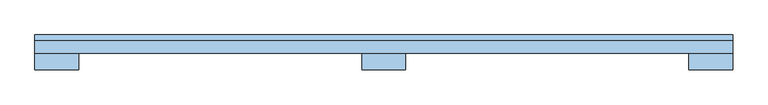
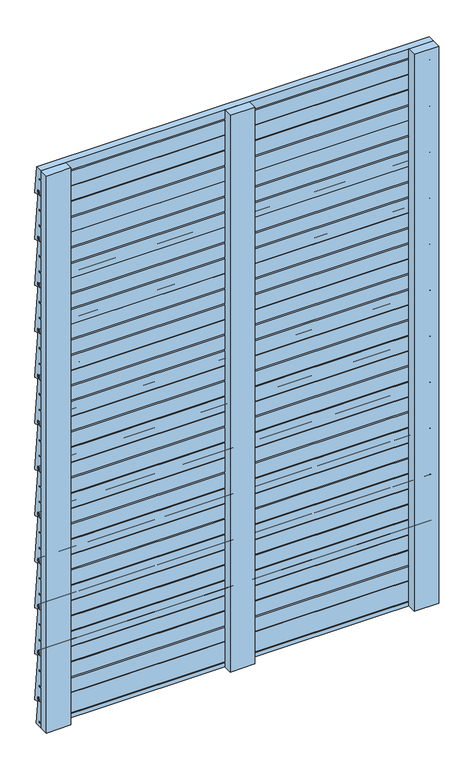
"""IFC4 building model written with IfcOpenShell, lengths in millimetres: window geometry."""

import ifcopenshell
import ifcopenshell.guid

model = None  # the IFC model being written
_history = None  # IfcOwnerHistory: only IFC2X3 demands one
_inside = {}  # id of a spatial element -> (the spatial element, [elements in it])
_under = {}  # id of a project, library or spatial element -> (it, [spatial elements below it])
_declared = {}  # id of a project -> (the project, [libraries it declares])
_typed = {}  # id of a type object -> (the type object, [elements of that type])
_made_of = {}  # id of a material, layer set ... -> (it, [elements and type objects made of it])


def new_model(schema):
    """Start an empty IFC model of exactly this schema.

    Asked for "IFC4X3", IfcOpenShell would pick the latest addendum, in which some entities
    have other attributes; the version numbers below select the first issue.
    IFC2X3 requires an IfcOwnerHistory on every rooted entity: one is made here for all.
    """
    global model, _history
    if schema == "IFC4X3":
        model = ifcopenshell.file(schema_version=(4, 3, 0, 0))
    else:
        model = ifcopenshell.file(schema=schema)
    _inside.clear()
    _under.clear()
    _declared.clear()
    _typed.clear()
    _made_of.clear()
    _history = None
    if model.schema == "IFC2X3":
        org = make("IfcOrganization", Name="unknown")
        user = make(
            "IfcPersonAndOrganization",
            ThePerson=make("IfcPerson", FamilyName="unknown"),
            TheOrganization=org,
        )
        app = make(
            "IfcApplication",
            ApplicationDeveloper=org,
            Version="unknown",
            ApplicationFullName="unknown",
            ApplicationIdentifier="unknown",
        )
        _history = make(
            "IfcOwnerHistory",
            OwningUser=user,
            OwningApplication=app,
            ChangeAction="ADDED",
            CreationDate=0,
        )
    return model


def make(cls, **values):
    """One entity of the class cls with the attributes given. An attribute that is None is left unset."""
    return model.create_entity(
        cls, **{name: value for name, value in values.items() if value is not None}
    )


def rooted(cls, **values):
    """An entity with a GlobalId (a new one), such as an element, a storey or a relation."""
    return make(cls, GlobalId=ifcopenshell.guid.new(), OwnerHistory=_history, **values)


def si_unit(unit_type, name, prefix=None):
    """IfcSIUnit, for example si_unit("LENGTHUNIT", "METRE", prefix="MILLI")."""
    return make("IfcSIUnit", UnitType=unit_type, Prefix=prefix, Name=name)


def assignment(units):
    """IfcUnitAssignment: the units of a project."""
    return None if units is None else make("IfcUnitAssignment", Units=units)


def point(xyz):
    """IfcCartesianPoint."""
    return None if xyz is None else make("IfcCartesianPoint", Coordinates=xyz)


def direction(xyz):
    """IfcDirection."""
    return None if xyz is None else make("IfcDirection", DirectionRatios=xyz)


def frame(location, z_axis=None, x_axis=None):
    """IfcAxis2Placement3D, a coordinate frame: its origin and axes. An axis left out is left unset."""
    return make(
        "IfcAxis2Placement3D",
        Location=point(location),
        Axis=direction(z_axis),
        RefDirection=direction(x_axis),
    )


def frame_2d(location, x_axis=None):
    """IfcAxis2Placement2D, a coordinate frame in the plane: its origin and x axis."""
    return make(
        "IfcAxis2Placement2D", Location=point(location), RefDirection=direction(x_axis)
    )


def origin():
    """The frame at (0, 0, 0) with its axes left unset."""
    return frame((0.0, 0.0, 0.0))


def place(relative_to, where):
    """IfcLocalPlacement: puts the frame where relative to a parent placement (None: the world)."""
    return make(
        "IfcLocalPlacement", PlacementRelTo=relative_to, RelativePlacement=where
    )


def context(
    kind, dimensions, precision=None, world=None, true_north=None, identifier=None
):
    """IfcGeometricRepresentationContext, for example the 3D "Model" context."""
    return make(
        "IfcGeometricRepresentationContext",
        ContextIdentifier=identifier,
        ContextType=kind,
        CoordinateSpaceDimension=dimensions,
        Precision=precision,
        WorldCoordinateSystem=world,
        TrueNorth=true_north,
    )


def project(units=None, contexts=None):
    """IfcProject with its units and contexts."""
    return rooted(
        "IfcProject",
        Name="project",
        RepresentationContexts=contexts,
        UnitsInContext=assignment(units),
    )


def spatial(cls, under=None, at=None, **own):
    """A site, building, storey or space (cls), placed at a placement, below another one or the project."""
    s = rooted(cls, ObjectPlacement=at, **own)
    if under is not None:
        _under.setdefault(under.id(), (under, []))[1].append(s)
    return s


def polyline(points):
    """IfcPolyline through the points."""
    return make("IfcPolyline", Points=[point(p) for p in points])


def circle_curve(where, radius):
    """IfcCircle in the frame where."""
    return make("IfcCircle", Position=where, Radius=radius)


def trimmed(basis, trim1, trim2, sense, master):
    """IfcTrimmedCurve: the piece of a basis curve between two trims."""
    return make(
        "IfcTrimmedCurve",
        BasisCurve=basis,
        Trim1=trim1,
        Trim2=trim2,
        SenseAgreement=sense,
        MasterRepresentation=master,
    )


def segment(curve, same_sense, transition):
    """IfcCompositeCurveSegment."""
    return make(
        "IfcCompositeCurveSegment",
        Transition=transition,
        SameSense=same_sense,
        ParentCurve=curve,
    )


def composite_curve(segments, self_intersect=None):
    """IfcCompositeCurve: segments joined end to end."""
    return make("IfcCompositeCurve", Segments=segments, SelfIntersect=self_intersect)


def outline(outer, holes=None, kind="AREA"):
    """IfcArbitraryClosedProfileDef: a profile drawn as a closed curve; with holes, ...WithVoids."""
    if holes is None:
        return make("IfcArbitraryClosedProfileDef", ProfileType=kind, OuterCurve=outer)
    return make(
        "IfcArbitraryProfileDefWithVoids",
        ProfileType=kind,
        OuterCurve=outer,
        InnerCurves=holes,
    )


def extrude(swept, where, along, depth):
    """IfcExtrudedAreaSolid: the profile swept, set in the frame where, extruded along a direction by depth."""
    return make(
        "IfcExtrudedAreaSolid",
        SweptArea=swept,
        Position=where,
        ExtrudedDirection=direction(along),
        Depth=depth,
    )


def shape(context_of_items, identifier, shape_type, items):
    """IfcShapeRepresentation: the items that make up one representation, for example the "Body"."""
    return make(
        "IfcShapeRepresentation",
        ContextOfItems=context_of_items,
        RepresentationIdentifier=identifier,
        RepresentationType=shape_type,
        Items=items,
    )


def source(mapping_origin, context_of_items, identifier, shape_type, items):
    """IfcRepresentationMap: a shape defined once, which mapped items show again and again."""
    return make(
        "IfcRepresentationMap",
        MappingOrigin=mapping_origin,
        MappedRepresentation=shape(context_of_items, identifier, shape_type, items),
    )


def transform(
    local_origin,
    x_axis=None,
    y_axis=None,
    z_axis=None,
    scale=None,
    scale2=None,
    scale3=None,
    uniform=True,
):
    """IfcCartesianTransformationOperator3D, or its non-uniform kind. x_axis, y_axis, z_axis: its Axis1, 2, 3."""
    if uniform:
        return make(
            "IfcCartesianTransformationOperator3D",
            Axis1=direction(x_axis),
            Axis2=direction(y_axis),
            LocalOrigin=point(local_origin),
            Scale=scale,
            Axis3=direction(z_axis),
        )
    return make(
        "IfcCartesianTransformationOperator3DnonUniform",
        Axis1=direction(x_axis),
        Axis2=direction(y_axis),
        LocalOrigin=point(local_origin),
        Scale=scale,
        Axis3=direction(z_axis),
        Scale2=scale2,
        Scale3=scale3,
    )


def mapped(mapping_source, mapping_target):
    """IfcMappedItem: shows the shape of a source again, moved by a transform."""
    return make(
        "IfcMappedItem", MappingSource=mapping_source, MappingTarget=mapping_target
    )


def made_of(thing, what):
    """Note that an element or type object is made of a material, layer set ...; save() writes the relation."""
    if what is not None:
        _made_of.setdefault(what.id(), (what, []))[1].append(thing)
    return thing


def element(
    cls,
    number,
    at=None,
    inside=None,
    cuts=None,
    type_object=None,
    material=None,
    context=None,
    identifier="Body",
    shape_type=None,
    held_by="IfcProductDefinitionShape",
    body=None,
    shapes=None,
    **own,
):
    """One element of the class cls, such as IfcWall. Its Tag is "e" and its number.

    at: its placement. inside: the storey or other place that contains it. cuts: it is an
    opening in that element (IfcRelVoidsElement). A single representation is given by context,
    identifier, shape_type and body (its items); several are given by shapes. held_by: the class
    of the entity that holds the representations. save() writes the other relations.
    """
    e = rooted(cls, Tag="e%d" % number, ObjectPlacement=at, **own)
    if body is not None:
        shapes = [shape(context, identifier, shape_type, body)]
    if shapes is not None:
        e.Representation = make(held_by, Representations=shapes)
    if inside is not None:
        _inside.setdefault(inside.id(), (inside, []))[1].append(e)
    if cuts is not None:
        rooted(
            "IfcRelVoidsElement", RelatingBuildingElement=cuts, RelatedOpeningElement=e
        )
    if type_object is not None:
        _typed.setdefault(type_object.id(), (type_object, []))[1].append(e)
    return made_of(e, material)


def aggregate(whole, parts):
    """IfcRelAggregates: a whole, such as a stair, and the parts it consists of."""
    return rooted("IfcRelAggregates", RelatingObject=whole, RelatedObjects=parts)


def save(model, path):
    """Write the relations noted so far, then the file.

    IfcRelAggregates (storeys below a building ...), IfcRelContainedInSpatialStructure (elements
    in a storey), IfcRelDefinesByType, IfcRelAssociatesMaterial and IfcRelDeclares: one each for
    every whole, place, type object, material and project.
    """
    for whole, parts in _under.values():
        aggregate(whole, parts)
    for where, things in _inside.values():
        rooted(
            "IfcRelContainedInSpatialStructure",
            RelatedElements=things,
            RelatingStructure=where,
        )
    for kind, things in _typed.values():
        rooted("IfcRelDefinesByType", RelatedObjects=things, RelatingType=kind)
    for what, things in _made_of.values():
        rooted("IfcRelAssociatesMaterial", RelatedObjects=things, RelatingMaterial=what)
    for by, libraries in _declared.values():
        rooted("IfcRelDeclares", RelatingContext=by, RelatedDefinitions=libraries)
    model.write(path)


def window_85275ae8(model_context):
    return source(origin(), model_context, "Body", "SweptSolid", [
        extrude(outline(composite_curve([segment(polyline([(49.0486008, 160.0248213), (38.2650704, 162.8526855)]), True, "CONTINUOUS"), segment(trimmed(circle_curve(frame_2d((38.5592328, 163.8456874)), 1.0356565), [point((38.2650704, 162.8526855))], [point((37.5275173, 163.755424))], False, "CARTESIAN"), True, "CONTINUOUS"), segment(polyline([(37.5275173, 163.755424), (36.5, 175.5)]), True, "CONTINUOUS"), segment(trimmed(circle_curve(frame_2d((35.0, 175.5)), 1.5), [point((36.5, 175.5))], [point((35.0, 177.0))], True, "CARTESIAN"), True, "CONTINUOUS"), segment(polyline([(35.0, 177.0), (31.5, 177.0)]), True, "CONTINUOUS"), segment(trimmed(circle_curve(frame_2d((31.5, 175.5)), 1.5), [point((31.5, 177.0))], [point((30.0, 175.5))], True, "CARTESIAN"), True, "CONTINUOUS"), segment(polyline([(30.0, 175.5), (30.0, 169.0)]), True, "CONTINUOUS"), segment(trimmed(circle_curve(frame_2d((29.0, 169.0)), 1.0), [point((30.0, 169.0))], [point((29.0, 168.0))], False, "CARTESIAN"), True, "CONTINUOUS"), segment(polyline([(29.0, 168.0), (24.0, 168.0), (24.0, 206.8689113), (30.0, 206.8689113), (30.0, 210.3689113), (24.0, 210.3689113), (24.0, 248.9745882), (30.0, 248.9745882), (30.0, 252.4745882), (24.0, 252.4745882), (24.0, 291.0), (30.0, 291.0), (30.0, 297.5)]), True, "CONTINUOUS"), segment(trimmed(circle_curve(frame_2d((31.5, 297.5)), 1.5), [point((30.0, 297.5))], [point((31.5, 299.0))], False, "CARTESIAN"), True, "CONTINUOUS"), segment(polyline([(31.5, 299.0), (34.5312583, 299.0)]), True, "CONTINUOUS"), segment(trimmed(circle_curve(frame_2d((34.5312583, 297.5)), 1.5), [point((34.5312583, 299.0))], [point((36.0239451, 297.6479395))], False, "CARTESIAN"), True, "CONTINUOUS"), segment(polyline([(36.0239451, 297.6479395), (49.9960731, 160.8359984)]), True, "CONTINUOUS"), segment(trimmed(circle_curve(frame_2d((49.241104, 160.758896)), 0.758896), [point((49.9960731, 160.8359984))], [point((49.0486008, 160.0248213))], False, "CARTESIAN"), True, "CONTINUOUS")], self_intersect=False)), frame((-500.0, 0.0, 0.0), z_axis=(1.0, 0.0, 0.0), x_axis=(0.0, 1.0, 0.0)), (0.0, 0.0, 1.0), 1000.0),
        extrude(outline(composite_curve([segment(polyline([(49.0486008, 284.0248213), (38.2650704, 286.8526855)]), True, "CONTINUOUS"), segment(trimmed(circle_curve(frame_2d((38.5592328, 287.8456874)), 1.0356565), [point((38.2650704, 286.8526855))], [point((37.5275173, 287.755424))], False, "CARTESIAN"), True, "CONTINUOUS"), segment(polyline([(37.5275173, 287.755424), (36.5, 299.5)]), True, "CONTINUOUS"), segment(trimmed(circle_curve(frame_2d((35.0, 299.5)), 1.5), [point((36.5, 299.5))], [point((35.0, 301.0))], True, "CARTESIAN"), True, "CONTINUOUS"), segment(polyline([(35.0, 301.0), (31.5, 301.0)]), True, "CONTINUOUS"), segment(trimmed(circle_curve(frame_2d((31.5, 299.5)), 1.5), [point((31.5, 301.0))], [point((30.0, 299.5))], True, "CARTESIAN"), True, "CONTINUOUS"), segment(polyline([(30.0, 299.5), (30.0, 293.0)]), True, "CONTINUOUS"), segment(trimmed(circle_curve(frame_2d((29.0, 293.0)), 1.0), [point((30.0, 293.0))], [point((29.0, 292.0))], False, "CARTESIAN"), True, "CONTINUOUS"), segment(polyline([(29.0, 292.0), (24.0, 292.0), (24.0, 330.8689113), (30.0, 330.8689113), (30.0, 334.3689113), (24.0, 334.3689113), (24.0, 372.9745882), (30.0, 372.9745882), (30.0, 376.4745882), (24.0, 376.4745882), (24.0, 415.0), (30.0, 415.0), (30.0, 421.5)]), True, "CONTINUOUS"), segment(trimmed(circle_curve(frame_2d((31.5, 421.5)), 1.5), [point((30.0, 421.5))], [point((31.5, 423.0))], False, "CARTESIAN"), True, "CONTINUOUS"), segment(polyline([(31.5, 423.0), (34.5312583, 423.0)]), True, "CONTINUOUS"), segment(trimmed(circle_curve(frame_2d((34.5312583, 421.5)), 1.5), [point((34.5312583, 423.0))], [point((36.0239451, 421.6479395))], False, "CARTESIAN"), True, "CONTINUOUS"), segment(polyline([(36.0239451, 421.6479395), (49.9960731, 284.8359984)]), True, "CONTINUOUS"), segment(trimmed(circle_curve(frame_2d((49.241104, 284.758896)), 0.758896), [point((49.9960731, 284.8359984))], [point((49.0486008, 284.0248213))], False, "CARTESIAN"), True, "CONTINUOUS")], self_intersect=False)), frame((-500.0, 0.0, 0.0), z_axis=(1.0, 0.0, 0.0), x_axis=(0.0, 1.0, 0.0)), (0.0, 0.0, 1.0), 1000.0),
        extrude(outline(composite_curve([segment(polyline([(49.0486008, 408.0248213), (38.2650704, 410.8526855)]), True, "CONTINUOUS"), segment(trimmed(circle_curve(frame_2d((38.5592328, 411.8456874)), 1.0356565), [point((38.2650704, 410.8526855))], [point((37.5275173, 411.755424))], False, "CARTESIAN"), True, "CONTINUOUS"), segment(polyline([(37.5275173, 411.755424), (36.5, 423.5)]), True, "CONTINUOUS"), segment(trimmed(circle_curve(frame_2d((35.0, 423.5)), 1.5), [point((36.5, 423.5))], [point((35.0, 425.0))], True, "CARTESIAN"), True, "CONTINUOUS"), segment(polyline([(35.0, 425.0), (31.5, 425.0)]), True, "CONTINUOUS"), segment(trimmed(circle_curve(frame_2d((31.5, 423.5)), 1.5), [point((31.5, 425.0))], [point((30.0, 423.5))], True, "CARTESIAN"), True, "CONTINUOUS"), segment(polyline([(30.0, 423.5), (30.0, 417.0)]), True, "CONTINUOUS"), segment(trimmed(circle_curve(frame_2d((29.0, 417.0)), 1.0), [point((30.0, 417.0))], [point((29.0, 416.0))], False, "CARTESIAN"), True, "CONTINUOUS"), segment(polyline([(29.0, 416.0), (24.0, 416.0), (24.0, 454.8689113), (30.0, 454.8689113), (30.0, 458.3689113), (24.0, 458.3689113), (24.0, 496.9745882), (30.0, 496.9745882), (30.0, 500.4745882), (24.0, 500.4745882), (24.0, 539.0), (30.0, 539.0), (30.0, 545.5)]), True, "CONTINUOUS"), segment(trimmed(circle_curve(frame_2d((31.5, 545.5)), 1.5), [point((30.0, 545.5))], [point((31.5, 547.0))], False, "CARTESIAN"), True, "CONTINUOUS"), segment(polyline([(31.5, 547.0), (34.5312583, 547.0)]), True, "CONTINUOUS"), segment(trimmed(circle_curve(frame_2d((34.5312583, 545.5)), 1.5), [point((34.5312583, 547.0))], [point((36.0239451, 545.6479395))], False, "CARTESIAN"), True, "CONTINUOUS"), segment(polyline([(36.0239451, 545.6479395), (49.9960731, 408.8359984)]), True, "CONTINUOUS"), segment(trimmed(circle_curve(frame_2d((49.241104, 408.758896)), 0.758896), [point((49.9960731, 408.8359984))], [point((49.0486008, 408.0248213))], False, "CARTESIAN"), True, "CONTINUOUS")], self_intersect=False)), frame((-500.0, 0.0, 0.0), z_axis=(1.0, 0.0, 0.0), x_axis=(0.0, 1.0, 0.0)), (0.0, 0.0, 1.0), 1000.0),
        extrude(outline(composite_curve([segment(polyline([(49.0486008, 532.0248213), (38.2650704, 534.8526855)]), True, "CONTINUOUS"), segment(trimmed(circle_curve(frame_2d((38.5592328, 535.8456874)), 1.0356565), [point((38.2650704, 534.8526855))], [point((37.5275173, 535.755424))], False, "CARTESIAN"), True, "CONTINUOUS"), segment(polyline([(37.5275173, 535.755424), (36.5, 547.5)]), True, "CONTINUOUS"), segment(trimmed(circle_curve(frame_2d((35.0, 547.5)), 1.5), [point((36.5, 547.5))], [point((35.0, 549.0))], True, "CARTESIAN"), True, "CONTINUOUS"), segment(polyline([(35.0, 549.0), (31.5, 549.0)]), True, "CONTINUOUS"), segment(trimmed(circle_curve(frame_2d((31.5, 547.5)), 1.5), [point((31.5, 549.0))], [point((30.0, 547.5))], True, "CARTESIAN"), True, "CONTINUOUS"), segment(polyline([(30.0, 547.5), (30.0, 541.0)]), True, "CONTINUOUS"), segment(trimmed(circle_curve(frame_2d((29.0, 541.0)), 1.0), [point((30.0, 541.0))], [point((29.0, 540.0))], False, "CARTESIAN"), True, "CONTINUOUS"), segment(polyline([(29.0, 540.0), (24.0, 540.0), (24.0, 578.8689113), (30.0, 578.8689113), (30.0, 582.3689113), (24.0, 582.3689113), (24.0, 620.9745882), (30.0, 620.9745882), (30.0, 624.4745882), (24.0, 624.4745882), (24.0, 663.0), (30.0, 663.0), (30.0, 669.5)]), True, "CONTINUOUS"), segment(trimmed(circle_curve(frame_2d((31.5, 669.5)), 1.5), [point((30.0, 669.5))], [point((31.5, 671.0))], False, "CARTESIAN"), True, "CONTINUOUS"), segment(polyline([(31.5, 671.0), (34.5312583, 671.0)]), True, "CONTINUOUS"), segment(trimmed(circle_curve(frame_2d((34.5312583, 669.5)), 1.5), [point((34.5312583, 671.0))], [point((36.0239451, 669.6479395))], False, "CARTESIAN"), True, "CONTINUOUS"), segment(polyline([(36.0239451, 669.6479395), (49.9960731, 532.8359984)]), True, "CONTINUOUS"), segment(trimmed(circle_curve(frame_2d((49.241104, 532.758896)), 0.758896), [point((49.9960731, 532.8359984))], [point((49.0486008, 532.0248213))], False, "CARTESIAN"), True, "CONTINUOUS")], self_intersect=False)), frame((-500.0, 0.0, 0.0), z_axis=(1.0, 0.0, 0.0), x_axis=(0.0, 1.0, 0.0)), (0.0, 0.0, 1.0), 1000.0),
        extrude(outline(composite_curve([segment(polyline([(49.0486008, 656.0248213), (38.2650704, 658.8526855)]), True, "CONTINUOUS"), segment(trimmed(circle_curve(frame_2d((38.5592328, 659.8456874)), 1.0356565), [point((38.2650704, 658.8526855))], [point((37.5275173, 659.755424))], False, "CARTESIAN"), True, "CONTINUOUS"), segment(polyline([(37.5275173, 659.755424), (36.5, 671.5)]), True, "CONTINUOUS"), segment(trimmed(circle_curve(frame_2d((35.0, 671.5)), 1.5), [point((36.5, 671.5))], [point((35.0, 673.0))], True, "CARTESIAN"), True, "CONTINUOUS"), segment(polyline([(35.0, 673.0), (31.5, 673.0)]), True, "CONTINUOUS"), segment(trimmed(circle_curve(frame_2d((31.5, 671.5)), 1.5), [point((31.5, 673.0))], [point((30.0, 671.5))], True, "CARTESIAN"), True, "CONTINUOUS"), segment(polyline([(30.0, 671.5), (30.0, 665.0)]), True, "CONTINUOUS"), segment(trimmed(circle_curve(frame_2d((29.0, 665.0)), 1.0), [point((30.0, 665.0))], [point((29.0, 664.0))], False, "CARTESIAN"), True, "CONTINUOUS"), segment(polyline([(29.0, 664.0), (24.0, 664.0), (24.0, 702.8689113), (30.0, 702.8689113), (30.0, 706.3689113), (24.0, 706.3689113), (24.0, 744.9745882), (30.0, 744.9745882), (30.0, 748.4745882), (24.0, 748.4745882), (24.0, 787.0), (30.0, 787.0), (30.0, 793.5)]), True, "CONTINUOUS"), segment(trimmed(circle_curve(frame_2d((31.5, 793.5)), 1.5), [point((30.0, 793.5))], [point((31.5, 795.0))], False, "CARTESIAN"), True, "CONTINUOUS"), segment(polyline([(31.5, 795.0), (34.5312583, 795.0)]), True, "CONTINUOUS"), segment(trimmed(circle_curve(frame_2d((34.5312583, 793.5)), 1.5), [point((34.5312583, 795.0))], [point((36.0239451, 793.6479395))], False, "CARTESIAN"), True, "CONTINUOUS"), segment(polyline([(36.0239451, 793.6479395), (49.9960731, 656.8359984)]), True, "CONTINUOUS"), segment(trimmed(circle_curve(frame_2d((49.241104, 656.758896)), 0.758896), [point((49.9960731, 656.8359984))], [point((49.0486008, 656.0248213))], False, "CARTESIAN"), True, "CONTINUOUS")], self_intersect=False)), frame((-500.0, 0.0, 0.0), z_axis=(1.0, 0.0, 0.0), x_axis=(0.0, 1.0, 0.0)), (0.0, 0.0, 1.0), 1000.0),
        extrude(outline(composite_curve([segment(polyline([(49.0486008, 780.0248213), (38.2650704, 782.8526855)]), True, "CONTINUOUS"), segment(trimmed(circle_curve(frame_2d((38.5592328, 783.8456874)), 1.0356565), [point((38.2650704, 782.8526855))], [point((37.5275173, 783.755424))], False, "CARTESIAN"), True, "CONTINUOUS"), segment(polyline([(37.5275173, 783.755424), (36.5, 795.5)]), True, "CONTINUOUS"), segment(trimmed(circle_curve(frame_2d((35.0, 795.5)), 1.5), [point((36.5, 795.5))], [point((35.0, 797.0))], True, "CARTESIAN"), True, "CONTINUOUS"), segment(polyline([(35.0, 797.0), (31.5, 797.0)]), True, "CONTINUOUS"), segment(trimmed(circle_curve(frame_2d((31.5, 795.5)), 1.5), [point((31.5, 797.0))], [point((30.0, 795.5))], True, "CARTESIAN"), True, "CONTINUOUS"), segment(polyline([(30.0, 795.5), (30.0, 789.0)]), True, "CONTINUOUS"), segment(trimmed(circle_curve(frame_2d((29.0, 789.0)), 1.0), [point((30.0, 789.0))], [point((29.0, 788.0))], False, "CARTESIAN"), True, "CONTINUOUS"), segment(polyline([(29.0, 788.0), (24.0, 788.0), (24.0, 826.8689113), (30.0, 826.8689113), (30.0, 830.3689113), (24.0, 830.3689113), (24.0, 868.9745882), (30.0, 868.9745882), (30.0, 872.4745882), (24.0, 872.4745882), (24.0, 911.0), (30.0, 911.0), (30.0, 917.5)]), True, "CONTINUOUS"), segment(trimmed(circle_curve(frame_2d((31.5, 917.5)), 1.5), [point((30.0, 917.5))], [point((31.5, 919.0))], False, "CARTESIAN"), True, "CONTINUOUS"), segment(polyline([(31.5, 919.0), (34.5312583, 919.0)]), True, "CONTINUOUS"), segment(trimmed(circle_curve(frame_2d((34.5312583, 917.5)), 1.5), [point((34.5312583, 919.0))], [point((36.0239451, 917.6479395))], False, "CARTESIAN"), True, "CONTINUOUS"), segment(polyline([(36.0239451, 917.6479395), (49.9960731, 780.8359984)]), True, "CONTINUOUS"), segment(trimmed(circle_curve(frame_2d((49.241104, 780.758896)), 0.758896), [point((49.9960731, 780.8359984))], [point((49.0486008, 780.0248213))], False, "CARTESIAN"), True, "CONTINUOUS")], self_intersect=False)), frame((-500.0, 0.0, 0.0), z_axis=(1.0, 0.0, 0.0), x_axis=(0.0, 1.0, 0.0)), (0.0, 0.0, 1.0), 1000.0),
        extrude(outline(composite_curve([segment(polyline([(49.0486008, 904.0248213), (38.2650704, 906.8526855)]), True, "CONTINUOUS"), segment(trimmed(circle_curve(frame_2d((38.5592328, 907.8456874)), 1.0356565), [point((38.2650704, 906.8526855))], [point((37.5275173, 907.755424))], False, "CARTESIAN"), True, "CONTINUOUS"), segment(polyline([(37.5275173, 907.755424), (36.5, 919.5)]), True, "CONTINUOUS"), segment(trimmed(circle_curve(frame_2d((35.0, 919.5)), 1.5), [point((36.5, 919.5))], [point((35.0, 921.0))], True, "CARTESIAN"), True, "CONTINUOUS"), segment(polyline([(35.0, 921.0), (31.5, 921.0)]), True, "CONTINUOUS"), segment(trimmed(circle_curve(frame_2d((31.5, 919.5)), 1.5), [point((31.5, 921.0))], [point((30.0, 919.5))], True, "CARTESIAN"), True, "CONTINUOUS"), segment(polyline([(30.0, 919.5), (30.0, 913.0)]), True, "CONTINUOUS"), segment(trimmed(circle_curve(frame_2d((29.0, 913.0)), 1.0), [point((30.0, 913.0))], [point((29.0, 912.0))], False, "CARTESIAN"), True, "CONTINUOUS"), segment(polyline([(29.0, 912.0), (24.0, 912.0), (24.0, 950.8689113), (30.0, 950.8689113), (30.0, 954.3689113), (24.0, 954.3689113), (24.0, 992.9745882), (30.0, 992.9745882), (30.0, 996.4745882), (24.0, 996.4745882), (24.0, 1035.0), (30.0, 1035.0), (30.0, 1041.5)]), True, "CONTINUOUS"), segment(trimmed(circle_curve(frame_2d((31.5, 1041.5)), 1.5), [point((30.0, 1041.5))], [point((31.5, 1043.0))], False, "CARTESIAN"), True, "CONTINUOUS"), segment(polyline([(31.5, 1043.0), (34.5312583, 1043.0)]), True, "CONTINUOUS"), segment(trimmed(circle_curve(frame_2d((34.5312583, 1041.5)), 1.5), [point((34.5312583, 1043.0))], [point((36.0239451, 1041.6479395))], False, "CARTESIAN"), True, "CONTINUOUS"), segment(polyline([(36.0239451, 1041.6479395), (49.9960731, 904.8359984)]), True, "CONTINUOUS"), segment(trimmed(circle_curve(frame_2d((49.241104, 904.758896)), 0.758896), [point((49.9960731, 904.8359984))], [point((49.0486008, 904.0248213))], False, "CARTESIAN"), True, "CONTINUOUS")], self_intersect=False)), frame((-500.0, 0.0, 0.0), z_axis=(1.0, 0.0, 0.0), x_axis=(0.0, 1.0, 0.0)), (0.0, 0.0, 1.0), 1000.0),
        extrude(outline(composite_curve([segment(polyline([(49.0486008, 1028.0248213), (38.2650704, 1030.8526855)]), True, "CONTINUOUS"), segment(trimmed(circle_curve(frame_2d((38.5592328, 1031.8456874)), 1.0356565), [point((38.2650704, 1030.8526855))], [point((37.5275173, 1031.755424))], False, "CARTESIAN"), True, "CONTINUOUS"), segment(polyline([(37.5275173, 1031.755424), (36.5, 1043.5)]), True, "CONTINUOUS"), segment(trimmed(circle_curve(frame_2d((35.0, 1043.5)), 1.5), [point((36.5, 1043.5))], [point((35.0, 1045.0))], True, "CARTESIAN"), True, "CONTINUOUS"), segment(polyline([(35.0, 1045.0), (31.5, 1045.0)]), True, "CONTINUOUS"), segment(trimmed(circle_curve(frame_2d((31.5, 1043.5)), 1.5), [point((31.5, 1045.0))], [point((30.0, 1043.5))], True, "CARTESIAN"), True, "CONTINUOUS"), segment(polyline([(30.0, 1043.5), (30.0, 1037.0)]), True, "CONTINUOUS"), segment(trimmed(circle_curve(frame_2d((29.0, 1037.0)), 1.0), [point((30.0, 1037.0))], [point((29.0, 1036.0))], False, "CARTESIAN"), True, "CONTINUOUS"), segment(polyline([(29.0, 1036.0), (24.0, 1036.0), (24.0, 1074.8689113), (30.0, 1074.8689113), (30.0, 1078.3689113), (24.0, 1078.3689113), (24.0, 1116.9745882), (30.0, 1116.9745882), (30.0, 1120.4745882), (24.0, 1120.4745882), (24.0, 1159.0), (30.0, 1159.0), (30.0, 1165.5)]), True, "CONTINUOUS"), segment(trimmed(circle_curve(frame_2d((31.5, 1165.5)), 1.5), [point((30.0, 1165.5))], [point((31.5, 1167.0))], False, "CARTESIAN"), True, "CONTINUOUS"), segment(polyline([(31.5, 1167.0), (34.5312583, 1167.0)]), True, "CONTINUOUS"), segment(trimmed(circle_curve(frame_2d((34.5312583, 1165.5)), 1.5), [point((34.5312583, 1167.0))], [point((36.0239451, 1165.6479395))], False, "CARTESIAN"), True, "CONTINUOUS"), segment(polyline([(36.0239451, 1165.6479395), (49.9960731, 1028.8359984)]), True, "CONTINUOUS"), segment(trimmed(circle_curve(frame_2d((49.241104, 1028.758896)), 0.758896), [point((49.9960731, 1028.8359984))], [point((49.0486008, 1028.0248213))], False, "CARTESIAN"), True, "CONTINUOUS")], self_intersect=False)), frame((-500.0, 0.0, 0.0), z_axis=(1.0, 0.0, 0.0), x_axis=(0.0, 1.0, 0.0)), (0.0, 0.0, 1.0), 1000.0),
        extrude(outline(composite_curve([segment(polyline([(49.0486008, 1152.0248213), (38.2650704, 1154.8526855)]), True, "CONTINUOUS"), segment(trimmed(circle_curve(frame_2d((38.5592328, 1155.8456874)), 1.0356565), [point((38.2650704, 1154.8526855))], [point((37.5275173, 1155.755424))], False, "CARTESIAN"), True, "CONTINUOUS"), segment(polyline([(37.5275173, 1155.755424), (36.5, 1167.5)]), True, "CONTINUOUS"), segment(trimmed(circle_curve(frame_2d((35.0, 1167.5)), 1.5), [point((36.5, 1167.5))], [point((35.0, 1169.0))], True, "CARTESIAN"), True, "CONTINUOUS"), segment(polyline([(35.0, 1169.0), (31.5, 1169.0)]), True, "CONTINUOUS"), segment(trimmed(circle_curve(frame_2d((31.5, 1167.5)), 1.5), [point((31.5, 1169.0))], [point((30.0, 1167.5))], True, "CARTESIAN"), True, "CONTINUOUS"), segment(polyline([(30.0, 1167.5), (30.0, 1161.0)]), True, "CONTINUOUS"), segment(trimmed(circle_curve(frame_2d((29.0, 1161.0)), 1.0), [point((30.0, 1161.0))], [point((29.0, 1160.0))], False, "CARTESIAN"), True, "CONTINUOUS"), segment(polyline([(29.0, 1160.0), (24.0, 1160.0), (24.0, 1198.8689113), (30.0, 1198.8689113), (30.0, 1202.3689113), (24.0, 1202.3689113), (24.0, 1240.9745882), (30.0, 1240.9745882), (30.0, 1244.4745882), (24.0, 1244.4745882), (24.0, 1283.0), (30.0, 1283.0), (30.0, 1289.5)]), True, "CONTINUOUS"), segment(trimmed(circle_curve(frame_2d((31.5, 1289.5)), 1.5), [point((30.0, 1289.5))], [point((31.5, 1291.0))], False, "CARTESIAN"), True, "CONTINUOUS"), segment(polyline([(31.5, 1291.0), (34.5312583, 1291.0)]), True, "CONTINUOUS"), segment(trimmed(circle_curve(frame_2d((34.5312583, 1289.5)), 1.5), [point((34.5312583, 1291.0))], [point((36.0239451, 1289.6479395))], False, "CARTESIAN"), True, "CONTINUOUS"), segment(polyline([(36.0239451, 1289.6479395), (49.9960731, 1152.8359984)]), True, "CONTINUOUS"), segment(trimmed(circle_curve(frame_2d((49.241104, 1152.758896)), 0.758896), [point((49.9960731, 1152.8359984))], [point((49.0486008, 1152.0248213))], False, "CARTESIAN"), True, "CONTINUOUS")], self_intersect=False)), frame((-500.0, 0.0, 0.0), z_axis=(1.0, 0.0, 0.0), x_axis=(0.0, 1.0, 0.0)), (0.0, 0.0, 1.0), 1000.0),
        extrude(outline(composite_curve([segment(polyline([(49.0486008, 1276.0248213), (38.2650704, 1278.8526855)]), True, "CONTINUOUS"), segment(trimmed(circle_curve(frame_2d((38.5592328, 1279.8456874)), 1.0356565), [point((38.2650704, 1278.8526855))], [point((37.5275173, 1279.755424))], False, "CARTESIAN"), True, "CONTINUOUS"), segment(polyline([(37.5275173, 1279.755424), (36.5, 1291.5)]), True, "CONTINUOUS"), segment(trimmed(circle_curve(frame_2d((35.0, 1291.5)), 1.5), [point((36.5, 1291.5))], [point((35.0, 1293.0))], True, "CARTESIAN"), True, "CONTINUOUS"), segment(polyline([(35.0, 1293.0), (31.5, 1293.0)]), True, "CONTINUOUS"), segment(trimmed(circle_curve(frame_2d((31.5, 1291.5)), 1.5), [point((31.5, 1293.0))], [point((30.0, 1291.5))], True, "CARTESIAN"), True, "CONTINUOUS"), segment(polyline([(30.0, 1291.5), (30.0, 1285.0)]), True, "CONTINUOUS"), segment(trimmed(circle_curve(frame_2d((29.0, 1285.0)), 1.0), [point((30.0, 1285.0))], [point((29.0, 1284.0))], False, "CARTESIAN"), True, "CONTINUOUS"), segment(polyline([(29.0, 1284.0), (24.0, 1284.0), (24.0, 1322.8689113), (30.0, 1322.8689113), (30.0, 1326.3689113), (24.0, 1326.3689113), (24.0, 1364.9745882), (30.0, 1364.9745882), (30.0, 1368.4745882), (24.0, 1368.4745882), (24.0, 1407.0), (30.0, 1407.0), (30.0, 1413.5)]), True, "CONTINUOUS"), segment(trimmed(circle_curve(frame_2d((31.5, 1413.5)), 1.5), [point((30.0, 1413.5))], [point((31.5, 1415.0))], False, "CARTESIAN"), True, "CONTINUOUS"), segment(polyline([(31.5, 1415.0), (34.5312583, 1415.0)]), True, "CONTINUOUS"), segment(trimmed(circle_curve(frame_2d((34.5312583, 1413.5)), 1.5), [point((34.5312583, 1415.0))], [point((36.0239451, 1413.6479395))], False, "CARTESIAN"), True, "CONTINUOUS"), segment(polyline([(36.0239451, 1413.6479395), (49.9960731, 1276.8359984)]), True, "CONTINUOUS"), segment(trimmed(circle_curve(frame_2d((49.241104, 1276.758896)), 0.758896), [point((49.9960731, 1276.8359984))], [point((49.0486008, 1276.0248213))], False, "CARTESIAN"), True, "CONTINUOUS")], self_intersect=False)), frame((-500.0, 0.0, 0.0), z_axis=(1.0, 0.0, 0.0), x_axis=(0.0, 1.0, 0.0)), (0.0, 0.0, 1.0), 1000.0),
        extrude(outline(composite_curve([segment(polyline([(49.0486008, 1400.0248213), (38.2650704, 1402.8526855)]), True, "CONTINUOUS"), segment(trimmed(circle_curve(frame_2d((38.5592328, 1403.8456874)), 1.0356565), [point((38.2650704, 1402.8526855))], [point((37.5275173, 1403.755424))], False, "CARTESIAN"), True, "CONTINUOUS"), segment(polyline([(37.5275173, 1403.755424), (36.5, 1415.5)]), True, "CONTINUOUS"), segment(trimmed(circle_curve(frame_2d((35.0, 1415.5)), 1.5), [point((36.5, 1415.5))], [point((35.0, 1417.0))], True, "CARTESIAN"), True, "CONTINUOUS"), segment(polyline([(35.0, 1417.0), (31.5, 1417.0)]), True, "CONTINUOUS"), segment(trimmed(circle_curve(frame_2d((31.5, 1415.5)), 1.5), [point((31.5, 1417.0))], [point((30.0, 1415.5))], True, "CARTESIAN"), True, "CONTINUOUS"), segment(polyline([(30.0, 1415.5), (30.0, 1409.0)]), True, "CONTINUOUS"), segment(trimmed(circle_curve(frame_2d((29.0, 1409.0)), 1.0), [point((30.0, 1409.0))], [point((29.0, 1408.0))], False, "CARTESIAN"), True, "CONTINUOUS"), segment(polyline([(29.0, 1408.0), (24.0, 1408.0), (24.0, 1446.8689113), (30.0, 1446.8689113), (30.0, 1450.3689113), (24.0, 1450.3689113), (24.0, 1488.9745882), (30.0, 1488.9745882), (30.0, 1492.4745882), (24.0, 1492.4745882), (24.0, 1531.0), (30.0, 1531.0), (30.0, 1537.5)]), True, "CONTINUOUS"), segment(trimmed(circle_curve(frame_2d((31.5, 1537.5)), 1.5), [point((30.0, 1537.5))], [point((31.5, 1539.0))], False, "CARTESIAN"), True, "CONTINUOUS"), segment(polyline([(31.5, 1539.0), (34.5312583, 1539.0)]), True, "CONTINUOUS"), segment(trimmed(circle_curve(frame_2d((34.5312583, 1537.5)), 1.5), [point((34.5312583, 1539.0))], [point((36.0239451, 1537.6479395))], False, "CARTESIAN"), True, "CONTINUOUS"), segment(polyline([(36.0239451, 1537.6479395), (49.9960731, 1400.8359984)]), True, "CONTINUOUS"), segment(trimmed(circle_curve(frame_2d((49.241104, 1400.758896)), 0.758896), [point((49.9960731, 1400.8359984))], [point((49.0486008, 1400.0248213))], False, "CARTESIAN"), True, "CONTINUOUS")], self_intersect=False)), frame((-500.0, 0.0, 0.0), z_axis=(1.0, 0.0, 0.0), x_axis=(0.0, 1.0, 0.0)), (0.0, 0.0, 1.0), 1000.0),
        extrude(outline(composite_curve([segment(polyline([(36.0239451, 173.6479395), (43.5453532, 100.0), (24.0, 100.0), (24.0, 109.9745882), (30.0, 109.9745882), (30.0, 113.4745882), (24.0, 113.4745882), (24.0, 167.0), (30.0, 167.0), (30.0, 173.5)]), True, "CONTINUOUS"), segment(trimmed(circle_curve(frame_2d((31.5, 173.5)), 1.5), [point((30.0, 173.5))], [point((31.5, 175.0))], False, "CARTESIAN"), True, "CONTINUOUS"), segment(polyline([(31.5, 175.0), (34.5312583, 175.0)]), True, "CONTINUOUS"), segment(trimmed(circle_curve(frame_2d((34.5312583, 173.5)), 1.5), [point((34.5312583, 175.0))], [point((36.0239451, 173.6479395))], False, "CARTESIAN"), True, "CONTINUOUS")], self_intersect=False)), frame((-500.0, 0.0, 0.0), z_axis=(1.0, 0.0, 0.0), x_axis=(0.0, 1.0, 0.0)), (0.0, 0.0, 1.0), 1000.0),
        extrude(outline(composite_curve([segment(polyline([(49.0486008, 1525.0248213), (38.2704843, 1527.8526855)]), True, "CONTINUOUS"), segment(trimmed(circle_curve(frame_2d((38.5646467, 1528.8456874)), 1.0356565), [point((38.2704843, 1527.8526855))], [point((37.5329312, 1528.755424))], False, "CARTESIAN"), True, "CONTINUOUS"), segment(polyline([(37.5329312, 1528.755424), (36.4957881, 1540.4879677)]), True, "CONTINUOUS"), segment(trimmed(circle_curve(frame_2d((35.0102268, 1540.4879677)), 1.4855613), [point((36.4957881, 1540.4879677))], [point((35.0102268, 1541.973529))], True, "CARTESIAN"), True, "CONTINUOUS"), segment(polyline([(35.0102268, 1541.973529), (31.4126301, 1541.973529)]), True, "CONTINUOUS"), segment(trimmed(circle_curve(frame_2d((31.4126301, 1540.5252678)), 1.4482612), [point((31.4126301, 1541.973529))], [point((29.9643689, 1540.5252678))], True, "CARTESIAN"), True, "CONTINUOUS"), segment(polyline([(29.9643689, 1540.5252678), (29.9643689, 1534.0411504)]), True, "CONTINUOUS"), segment(trimmed(circle_curve(frame_2d((28.9232185, 1534.0411504)), 1.0411504), [point((29.9643689, 1534.0411504))], [point((28.9232185, 1533.0))], False, "CARTESIAN"), True, "CONTINUOUS"), segment(polyline([(28.9232185, 1533.0), (24.0, 1533.0), (24.0, 1571.8689113), (30.0, 1571.8689113), (30.0, 1575.3689113), (24.0, 1575.3689113), (24.0, 1600.0), (42.3780404, 1600.0), (49.9521521, 1525.8359984)]), True, "CONTINUOUS"), segment(trimmed(circle_curve(frame_2d((49.2054729, 1525.758896)), 0.7506494), [point((49.9521521, 1525.8359984))], [point((49.0486008, 1525.0248213))], False, "CARTESIAN"), True, "CONTINUOUS")], self_intersect=False)), frame((-500.0, 0.0, 0.0), z_axis=(1.0, 0.0, 0.0), x_axis=(0.0, 1.0, 0.0)), (0.0, 0.0, 1.0), 1000.0),
        extrude(outline(polyline([(-31.5, 24.1), (31.5, 24.1), (31.5, 0.1), (-31.5, 0.1), (-31.5, 24.1)])), frame((0.0, 0.0, 100.0), z_axis=(0.0, 0.0, 1.0), x_axis=(1.0, 0.0, 0.0)), (0.0, 0.0, 1.0), 1500.0),
        extrude(outline(polyline([(-500.0, 24.0), (-437.0, 24.0), (-437.0, 0.0), (-500.0, 0.0), (-500.0, 24.0)])), frame((0.0, 0.0, 100.0), z_axis=(0.0, 0.0, 1.0), x_axis=(1.0, 0.0, 0.0)), (0.0, 0.0, 1.0), 1500.0),
        extrude(outline(polyline([(437.0, 24.0), (500.0, 24.0), (500.0, 0.0), (437.0, 0.0), (437.0, 24.0)])), frame((0.0, 0.0, 100.0), z_axis=(0.0, 0.0, 1.0), x_axis=(1.0, 0.0, 0.0)), (0.0, 0.0, 1.0), 1500.0),
    ])


if __name__ == "__main__":
    model = new_model("IFC4")
    model_context = context("Model", 3, world=origin())
    ifc_project = project(units=[si_unit("LENGTHUNIT", "METRE", prefix="MILLI")], contexts=[model_context])
    site = spatial("IfcSite", under=ifc_project)
    building = spatial("IfcBuilding", under=site)
    placement = place(None, origin())
    window_shape = window_85275ae8(model_context)
    element("IfcWindow", 1, at=placement, inside=building, context=model_context, shape_type="MappedRepresentation", body=[
        mapped(window_shape, transform((0.0, 0.0, 0.0), x_axis=(1.0, 0.0, 0.0), y_axis=(0.0, 1.0, 0.0), z_axis=(0.0, 0.0, 1.0))),
    ])
    save(model, "model.ifc")
